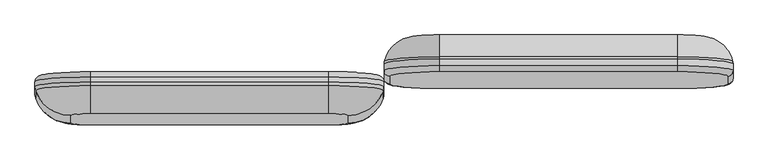
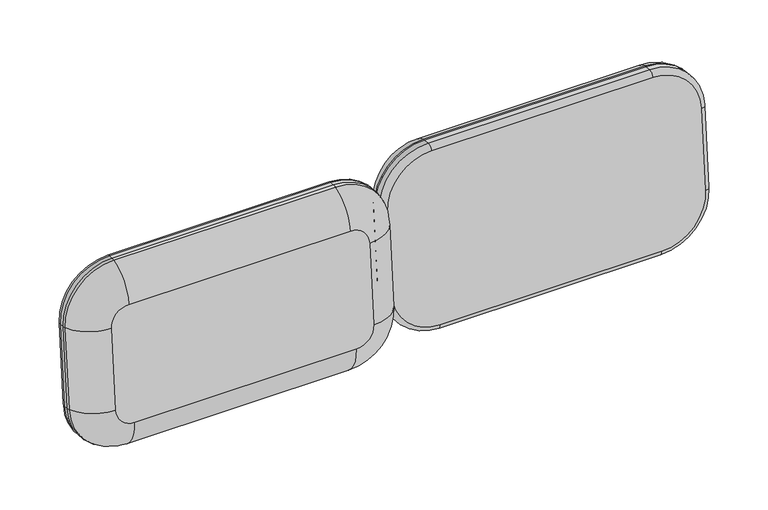
"""IFC4 building model written with IfcOpenShell, lengths in millimetres: furniture geometry."""

from ifc_helpers import new_model, si_unit, point, frame, origin, place, context, project, spatial, circle_curve, ellipse_curve, trimmed, source, transform, mapped, element, save
from ifc_brep_helpers import plane_surface, cylinder_surface, revolved_surface, advanced_brep


def furniture_3c81bbbd(model_context):
    return source(origin(), model_context, "Body", "AdvancedBrep", [
        advanced_brep(
        [(1523.7309449, 439.994675, 555.7190034), (1396.7309449, 451.0634543, 682.2357301), (1396.7309449, 437.3049037, 670.6909353), (1511.0309449, 427.3430023, 556.8258813), (1523.7309449, 455.5265861, 554.3601372), (1396.7309449, 466.5953655, 680.8768639), (1511.0309449, 409.6329554, 354.3991187), (1523.7309449, 422.2846281, 353.2922407), (1523.7309449, 437.8165392, 351.9333746), (1396.7309449, 399.671054, 240.5340647), (1396.7309449, 411.2158488, 226.7755141), (1396.7309449, 426.7477599, 225.4166479), (850.9286011, 399.671054, 240.5340647), (850.9286011, 411.2158488, 226.7755141), (850.9286011, 426.7477599, 225.4166479), (736.6286011, 409.6329554, 354.3991187), (723.9286011, 422.2846281, 353.2922407), (723.9286011, 437.8165392, 351.9333746), (736.6286011, 427.3430023, 556.8258813), (723.9286011, 439.994675, 555.7190034), (723.9286011, 455.5265861, 554.3601372), (850.9286011, 437.3049037, 670.6909353), (850.9286011, 451.0634543, 682.2357301), (850.9286011, 466.5953655, 680.8768639), (793.7786011, 499.3807584, 346.5472033), (793.7786011, 517.0908053, 548.973966), (850.9286011, 522.071756, 605.906493), (1396.7309449, 522.071756, 605.906493), (1453.8809449, 517.0908053, 548.973966), (1453.8809449, 499.3807584, 346.5472033), (1396.7309449, 494.3998077, 289.6146763), (850.9286011, 494.3998077, 289.6146763), (1523.2321942, 460.5162968, 553.9235941), (1396.7309449, 471.5416071, 679.943468), (1523.2321942, 442.8062499, 351.4968315), (1396.7309449, 431.7809395, 225.4769576), (850.9286011, 431.7809395, 225.4769576), (724.4273518, 442.8062499, 351.4968315), (724.4273518, 460.5162968, 553.9235941), (850.9286011, 471.5416071, 679.943468)],
        [
            (0, 1, circle_curve(frame((1396.7309449, 439.994675, 555.7190034), z_axis=(0.0, -0.996194698091745, 0.08715574274766426), x_axis=(0.0, 0.08715574274766426, 0.996194698091745)), 127.0)),
            (1, 2, circle_curve(frame((1396.7309449, 449.9565764, 669.5840574), z_axis=(1.0, 0.0, 0.0), x_axis=(0.0, -0.08715574274766424, -0.996194698091745)), 12.7)),
            (2, 3, circle_curve(frame((1396.7309449, 427.3430023, 556.8258813), z_axis=(0.0, 0.996194698091745, -0.08715574274766426), x_axis=(0.0, 0.08715574274766426, 0.996194698091745)), 114.3)),
            (3, 0, circle_curve(frame((1511.0309449, 439.994675, 555.7190034), z_axis=(0.0, 0.08715574274766424, 0.996194698091745), x_axis=(-1.0, 0.0, 0.0)), 12.7)),
            (0, 4),
            (4, 5, circle_curve(frame((1396.7309449, 455.5265861, 554.3601372), z_axis=(0.0, -0.996194698091745, 0.08715574274766426), x_axis=(0.0, 0.08715574274766426, 0.996194698091745)), 127.0)),
            (5, 1),
            (3, 6),
            (6, 7, circle_curve(frame((1511.0309449, 422.2846281, 353.2922407), z_axis=(0.0, 0.08715574274766427, 0.9961946980917451), x_axis=(-1.0, 0.0, 0.0)), 12.7)),
            (7, 0),
            (7, 8),
            (8, 4),
            (6, 9, circle_curve(frame((1396.7309449, 409.6329554, 354.3991187), z_axis=(0.0, 0.996194698091745, -0.08715574274766426), x_axis=(1.0, 0.0, 0.0)), 114.3)),
            (9, 10, circle_curve(frame((1396.7309449, 412.3227267, 239.4271867), z_axis=(1.0, 0.0, 0.0), x_axis=(0.0, 0.08715574274766427, 0.996194698091745)), 12.7)),
            (10, 7, circle_curve(frame((1396.7309449, 422.2846281, 353.2922407), z_axis=(0.0, -0.996194698091745, 0.08715574274766426), x_axis=(1.0, 0.0, 0.0)), 127.0)),
            (10, 11),
            (11, 8, circle_curve(frame((1396.7309449, 437.8165392, 351.9333746), z_axis=(0.0, -0.996194698091745, 0.08715574274766426), x_axis=(1.0, 0.0, 0.0)), 127.0)),
            (9, 12),
            (12, 13, circle_curve(frame((850.9286011, 412.3227267, 239.4271867), z_axis=(1.0, 0.0, 0.0), x_axis=(0.0, 0.08715574274766426, 0.996194698091745)), 12.7)),
            (13, 10),
            (13, 14),
            (14, 11),
            (12, 15, circle_curve(frame((850.9286011, 409.6329554, 354.3991187), z_axis=(0.0, 0.996194698091745, -0.08715574274766426), x_axis=(0.0, -0.08715574274766426, -0.996194698091745)), 114.3)),
            (15, 16, circle_curve(frame((736.6286011, 422.2846281, 353.2922407), z_axis=(0.0, -0.08715574274766429, -0.996194698091745), x_axis=(1.0, 0.0, 0.0)), 12.7)),
            (16, 13, circle_curve(frame((850.9286011, 422.2846281, 353.2922407), z_axis=(0.0, -0.996194698091745, 0.08715574274766426), x_axis=(0.0, -0.08715574274766426, -0.996194698091745)), 127.0)),
            (16, 17),
            (17, 14, circle_curve(frame((850.9286011, 437.8165392, 351.9333746), z_axis=(0.0, -0.996194698091745, 0.08715574274766426), x_axis=(0.0, -0.08715574274766426, -0.996194698091745)), 127.0)),
            (15, 18),
            (18, 19, circle_curve(frame((736.6286011, 439.994675, 555.7190034), z_axis=(0.0, -0.08715574274766426, -0.9961946980917451), x_axis=(1.0, 0.0, 0.0)), 12.7)),
            (19, 16),
            (19, 20),
            (20, 17),
            (18, 21, circle_curve(frame((850.9286011, 427.3430023, 556.8258813), z_axis=(0.0, 0.996194698091745, -0.08715574274766426), x_axis=(-1.0, 0.0, 0.0)), 114.3)),
            (21, 22, circle_curve(frame((850.9286011, 449.9565764, 669.5840574), z_axis=(-1.0, 0.0, 0.0), x_axis=(0.0, -0.08715574274766424, -0.996194698091745)), 12.7)),
            (22, 19, circle_curve(frame((850.9286011, 439.994675, 555.7190034), z_axis=(0.0, -0.996194698091745, 0.08715574274766426), x_axis=(-1.0, 0.0, 0.0)), 127.0)),
            (22, 23),
            (23, 20, circle_curve(frame((850.9286011, 455.5265861, 554.3601372), z_axis=(0.0, -0.996194698091745, 0.08715574274766426), x_axis=(-1.0, 0.0, 0.0)), 127.0)),
            (1, 22),
            (21, 2),
            (5, 23),
            (24, 25),
            (25, 26, circle_curve(frame((850.9286011, 517.0908053, 548.973966), z_axis=(0.0, 0.996194698091745, -0.08715574274766426), x_axis=(-1.0, 0.0, 0.0)), 57.15)),
            (26, 27),
            (27, 28, circle_curve(frame((1396.7309449, 517.0908053, 548.973966), z_axis=(0.0, 0.996194698091745, -0.08715574274766426), x_axis=(0.0, 0.08715574274766426, 0.996194698091745)), 57.15)),
            (28, 29),
            (29, 30, circle_curve(frame((1396.7309449, 499.3807584, 346.5472033), z_axis=(0.0, 0.996194698091745, -0.08715574274766426), x_axis=(1.0, 0.0, 0.0)), 57.15)),
            (30, 31),
            (31, 24, circle_curve(frame((850.9286011, 499.3807584, 346.5472033), z_axis=(0.0, 0.996194698091745, -0.08715574274766426), x_axis=(0.0, -0.08715574274766426, -0.996194698091745)), 57.15)),
            (4, 32, circle_curve(frame((1498.3309449, 455.5265861, 554.3601372), z_axis=(0.0, 0.08715574274766424, 0.996194698091745), x_axis=(-1.0, 0.0, 0.0)), 25.4)),
            (32, 33, circle_curve(frame((1396.7309449, 460.5162968, 553.9235941), z_axis=(0.0, -0.996194698091745, 0.08715574274766426), x_axis=(0.0, 0.08715574274766426, 0.996194698091745)), 126.5012493)),
            (33, 5, circle_curve(frame((1396.7309449, 464.3816096, 655.5735186), z_axis=(1.0, 0.0, 0.0), x_axis=(0.0, -0.08715574274766424, -0.996194698091745)), 25.4)),
            (27, 33, circle_curve(frame((1396.7309449, 451.6006488, 612.071916), z_axis=(1.0, 0.0, 0.0), x_axis=(0.0, -0.08715574274766424, -0.996194698091745)), 70.7402954)),
            (32, 28, circle_curve(frame((1453.8809449, 446.6196981, 555.139389), z_axis=(0.0, 0.08715574274766424, 0.996194698091745), x_axis=(-1.0, 0.0, 0.0)), 70.7402954)),
            (8, 34, circle_curve(frame((1498.3309449, 437.8165392, 351.9333746), z_axis=(0.0, 0.08715574274766427, 0.9961946980917451), x_axis=(-1.0, 0.0, 0.0)), 25.4)),
            (34, 32),
            (34, 29, circle_curve(frame((1453.8809449, 428.9096512, 352.7126263), z_axis=(0.0, 0.08715574274766427, 0.9961946980917451), x_axis=(-1.0, 0.0, 0.0)), 70.7402954)),
            (11, 35, circle_curve(frame((1396.7309449, 428.9615157, 250.7199933), z_axis=(1.0, 0.0, 0.0), x_axis=(0.0, 0.08715574274766427, 0.996194698091745)), 25.4)),
            (35, 34, circle_curve(frame((1396.7309449, 442.8062499, 351.4968315), z_axis=(0.0, -0.996194698091745, 0.08715574274766426), x_axis=(1.0, 0.0, 0.0)), 126.5012493)),
            (35, 30, circle_curve(frame((1396.7309449, 423.9287005, 295.7800993), z_axis=(1.0, 0.0, 0.0), x_axis=(0.0, 0.08715574274766427, 0.996194698091745)), 70.7402954)),
            (14, 36, circle_curve(frame((850.9286011, 428.9615157, 250.7199933), z_axis=(1.0, 0.0, 0.0), x_axis=(0.0, 0.08715574274766426, 0.996194698091745)), 25.4)),
            (36, 35),
            (36, 31, circle_curve(frame((850.9286011, 423.9287005, 295.7800993), z_axis=(1.0, 0.0, 0.0), x_axis=(0.0, 0.08715574274766426, 0.996194698091745)), 70.7402954)),
            (17, 37, circle_curve(frame((749.3286011, 437.8165392, 351.9333746), z_axis=(0.0, -0.08715574274766429, -0.996194698091745), x_axis=(1.0, 0.0, 0.0)), 25.4)),
            (37, 36, circle_curve(frame((850.9286011, 442.8062499, 351.4968315), z_axis=(0.0, -0.996194698091745, 0.08715574274766426), x_axis=(0.0, -0.08715574274766426, -0.996194698091745)), 126.5012493)),
            (37, 24, circle_curve(frame((793.7786011, 428.9096512, 352.7126263), z_axis=(0.0, -0.08715574274766429, -0.996194698091745), x_axis=(1.0, 0.0, 0.0)), 70.7402954)),
            (20, 38, circle_curve(frame((749.3286011, 455.5265861, 554.3601372), z_axis=(0.0, -0.08715574274766426, -0.9961946980917451), x_axis=(1.0, 0.0, 0.0)), 25.4)),
            (38, 37),
            (38, 25, circle_curve(frame((793.7786011, 446.6196981, 555.139389), z_axis=(0.0, -0.08715574274766426, -0.9961946980917451), x_axis=(1.0, 0.0, 0.0)), 70.7402954)),
            (23, 39, circle_curve(frame((850.9286011, 464.3816096, 655.5735186), z_axis=(-1.0, 0.0, 0.0), x_axis=(0.0, -0.08715574274766426, -0.996194698091745)), 25.4)),
            (39, 38, circle_curve(frame((850.9286011, 460.5162968, 553.9235941), z_axis=(0.0, -0.996194698091745, 0.08715574274766426), x_axis=(-1.0, 0.0, 0.0)), 126.5012493)),
            (39, 26, circle_curve(frame((850.9286011, 451.6006488, 612.071916), z_axis=(-1.0, 0.0, 0.0), x_axis=(0.0, -0.08715574274766426, -0.996194698091745)), 70.7402954)),
            (33, 39),
        ],
        [
            revolved_surface(trimmed(ellipse_curve(frame((1396.7309449, 449.9565764, 669.5840574), z_axis=(-1.0, 0.0, 0.0), x_axis=(0.0, -0.08715574274766424, -0.996194698091745)), 12.7, 12.7), [point((1396.7309449, 437.3049037, 670.6909353))], [point((1396.7309449, 451.0634543, 682.2357301))], True, "CARTESIAN"), (1396.7309449, 427.3430023, 556.8258813), (0.0, 0.996194698091745, -0.08715574274766426)),
            cylinder_surface(frame((1396.7309449, 427.3430023, 556.8258813), z_axis=(0.0, 0.996194698091745, -0.08715574274766426), x_axis=(0.0, 0.08715574274766426, 0.996194698091745)), 127.0),
            cylinder_surface(frame((1511.0309449, 439.994675, 555.7190034), z_axis=(0.0, 0.08715574274766427, 0.9961946980917451), x_axis=(-1.0, 0.0, 0.0)), 12.7),
            plane_surface(frame((1523.7309449, 439.994675, 555.7190034), z_axis=(1.0, 0.0, 0.0), x_axis=(0.0, -0.0871557427476642, -0.996194698091745))),
            revolved_surface(trimmed(ellipse_curve(frame((1511.0309449, 422.2846281, 353.2922407), z_axis=(0.0, 0.08715574274766423, 0.996194698091745), x_axis=(-1.0, 0.0, 0.0)), 12.7, 12.7), [point((1511.0309449, 409.6329554, 354.3991187))], [point((1523.7309449, 422.2846281, 353.2922407))], True, "CARTESIAN"), (1396.7309449, 409.6329554, 354.3991187), (0.0, 0.996194698091745, -0.08715574274766426)),
            cylinder_surface(frame((1396.7309449, 409.6329554, 354.3991187), z_axis=(0.0, 0.996194698091745, -0.08715574274766426), x_axis=(1.0, 0.0, 0.0)), 127.0),
            cylinder_surface(frame((1396.7309449, 412.3227267, 239.4271867), z_axis=(1.0, 0.0, 0.0), x_axis=(0.0, 0.08715574274766426, 0.996194698091745)), 12.7),
            plane_surface(frame((1396.7309449, 411.2158488, 226.7755141), z_axis=(0.0, -0.08715574274766154, -0.9961946980917452), x_axis=(-1.0, 0.0, 0.0))),
            revolved_surface(trimmed(ellipse_curve(frame((850.9286011, 412.3227267, 239.4271867), z_axis=(1.0, 0.0, 0.0), x_axis=(0.0, 0.08715574274766426, 0.996194698091745)), 12.7, 12.7), [point((850.9286011, 399.671054, 240.5340647))], [point((850.9286011, 411.2158488, 226.7755141))], True, "CARTESIAN"), (850.9286011, 409.6329554, 354.3991187), (0.0, 0.996194698091745, -0.08715574274766426)),
            cylinder_surface(frame((850.9286011, 409.6329554, 354.3991187), z_axis=(0.0, 0.996194698091745, -0.08715574274766426), x_axis=(0.0, -0.08715574274766426, -0.996194698091745)), 127.0),
            cylinder_surface(frame((736.6286011, 422.2846281, 353.2922407), z_axis=(0.0, -0.08715574274766426, -0.9961946980917451), x_axis=(1.0, 0.0, 0.0)), 12.7),
            plane_surface(frame((723.9286011, 422.2846281, 353.2922407), z_axis=(-1.0, 0.0, 0.0), x_axis=(0.0, 0.08715574274766429, 0.996194698091745))),
            revolved_surface(trimmed(ellipse_curve(frame((736.6286011, 439.994675, 555.7190034), z_axis=(0.0, -0.08715574274766424, -0.996194698091745), x_axis=(1.0, 0.0, 0.0)), 12.7, 12.7), [point((736.6286011, 427.3430023, 556.8258813))], [point((723.9286011, 439.994675, 555.7190034))], True, "CARTESIAN"), (850.9286011, 427.3430023, 556.8258813), (0.0, 0.996194698091745, -0.08715574274766426)),
            cylinder_surface(frame((850.9286011, 427.3430023, 556.8258813), z_axis=(0.0, 0.996194698091745, -0.08715574274766426), x_axis=(-1.0, 0.0, 0.0)), 127.0),
            cylinder_surface(frame((850.9286011, 449.9565764, 669.5840574), z_axis=(-1.0, 0.0, 0.0), x_axis=(0.0, -0.08715574274766426, -0.996194698091745)), 12.7),
            plane_surface(frame((850.9286011, 451.0634543, 682.2357301), z_axis=(0.0, 0.08715574274766698, 0.9961946980917449), x_axis=(1.0, 0.0, 0.0))),
            plane_surface(frame((850.9286011, 522.071756, 605.906493), z_axis=(0.0, 0.9961946980917451, -0.08715574274766395), x_axis=(1.0, 0.0, 0.0))),
            plane_surface(frame((850.9286011, 429.5567582, 582.1292267), z_axis=(0.0, -0.996194698091745, 0.08715574274766422), x_axis=(1.0, 0.0, 0.0))),
            revolved_surface(trimmed(ellipse_curve(frame((1396.7309449, 464.3816096, 655.5735186), z_axis=(-1.0, 0.0, 0.0), x_axis=(0.0, -0.08715574274766424, -0.996194698091745)), 25.4, 25.4), [point((1396.7309449, 466.5953655, 680.8768639))], [point((1396.7309449, 471.5416071, 679.943468))], True, "CARTESIAN"), (1396.7309449, 427.3430023, 556.8258813), (0.0, 0.996194698091745, -0.08715574274766426)),
            revolved_surface(trimmed(ellipse_curve(frame((1396.7309449, 451.6006488, 612.071916), z_axis=(-1.0, 0.0, 0.0), x_axis=(0.0, -0.08715574274766424, -0.996194698091745)), 70.7402954, 70.7402954), [point((1396.7309449, 471.5416071, 679.943468))], [point((1396.7309449, 522.071756, 605.906493))], True, "CARTESIAN"), (1396.7309449, 427.3430023, 556.8258813), (0.0, 0.996194698091745, -0.08715574274766426)),
            cylinder_surface(frame((1498.3309449, 455.5265861, 554.3601372), z_axis=(0.0, 0.08715574274766427, 0.9961946980917451), x_axis=(-1.0, 0.0, 0.0)), 25.4),
            cylinder_surface(frame((1453.8809449, 446.6196981, 555.139389), z_axis=(0.0, 0.08715574274766427, 0.9961946980917451), x_axis=(-1.0, 0.0, 0.0)), 70.7402954),
            revolved_surface(trimmed(ellipse_curve(frame((1498.3309449, 437.8165392, 351.9333746), z_axis=(0.0, 0.08715574274766423, 0.996194698091745), x_axis=(-1.0, 0.0, 0.0)), 25.4, 25.4), [point((1523.7309449, 437.8165392, 351.9333746))], [point((1523.2321942, 442.8062499, 351.4968315))], True, "CARTESIAN"), (1396.7309449, 409.6329554, 354.3991187), (0.0, 0.996194698091745, -0.08715574274766426)),
            revolved_surface(trimmed(ellipse_curve(frame((1453.8809449, 428.9096512, 352.7126263), z_axis=(0.0, 0.08715574274766423, 0.996194698091745), x_axis=(-1.0, 0.0, 0.0)), 70.7402954, 70.7402954), [point((1523.2321942, 442.8062499, 351.4968315))], [point((1453.8809449, 499.3807584, 346.5472033))], True, "CARTESIAN"), (1396.7309449, 409.6329554, 354.3991187), (0.0, 0.996194698091745, -0.08715574274766426)),
            cylinder_surface(frame((1396.7309449, 428.9615157, 250.7199933), z_axis=(1.0, 0.0, 0.0), x_axis=(0.0, 0.08715574274766426, 0.996194698091745)), 25.4),
            cylinder_surface(frame((1396.7309449, 423.9287005, 295.7800993), z_axis=(1.0, 0.0, 0.0), x_axis=(0.0, 0.08715574274766426, 0.996194698091745)), 70.7402954),
            revolved_surface(trimmed(ellipse_curve(frame((850.9286011, 428.9615157, 250.7199933), z_axis=(1.0, 0.0, 0.0), x_axis=(0.0, 0.08715574274766426, 0.996194698091745)), 25.4, 25.4), [point((850.9286011, 426.7477599, 225.4166479))], [point((850.9286011, 431.7809395, 225.4769576))], True, "CARTESIAN"), (850.9286011, 409.6329554, 354.3991187), (0.0, 0.996194698091745, -0.08715574274766426)),
            revolved_surface(trimmed(ellipse_curve(frame((850.9286011, 423.9287005, 295.7800993), z_axis=(1.0, 0.0, 0.0), x_axis=(0.0, 0.08715574274766426, 0.996194698091745)), 70.7402954, 70.7402954), [point((850.9286011, 431.7809395, 225.4769576))], [point((850.9286011, 494.3998077, 289.6146763))], True, "CARTESIAN"), (850.9286011, 409.6329554, 354.3991187), (0.0, 0.996194698091745, -0.08715574274766426)),
            cylinder_surface(frame((749.3286011, 437.8165392, 351.9333746), z_axis=(0.0, -0.08715574274766426, -0.9961946980917451), x_axis=(1.0, 0.0, 0.0)), 25.4),
            cylinder_surface(frame((793.7786011, 428.9096512, 352.7126263), z_axis=(0.0, -0.08715574274766426, -0.9961946980917451), x_axis=(1.0, 0.0, 0.0)), 70.7402954),
            revolved_surface(trimmed(ellipse_curve(frame((749.3286011, 455.5265861, 554.3601372), z_axis=(0.0, -0.08715574274766424, -0.996194698091745), x_axis=(1.0, 0.0, 0.0)), 25.4, 25.4), [point((723.9286011, 455.5265861, 554.3601372))], [point((724.4273518, 460.5162968, 553.9235941))], True, "CARTESIAN"), (850.9286011, 427.3430023, 556.8258813), (0.0, 0.996194698091745, -0.08715574274766426)),
            revolved_surface(trimmed(ellipse_curve(frame((793.7786011, 446.6196981, 555.139389), z_axis=(0.0, -0.08715574274766424, -0.996194698091745), x_axis=(1.0, 0.0, 0.0)), 70.7402954, 70.7402954), [point((724.4273518, 460.5162968, 553.9235941))], [point((793.7786011, 517.0908053, 548.973966))], True, "CARTESIAN"), (850.9286011, 427.3430023, 556.8258813), (0.0, 0.996194698091745, -0.08715574274766426)),
            cylinder_surface(frame((850.9286011, 464.3816096, 655.5735186), z_axis=(-1.0, 0.0, 0.0), x_axis=(0.0, -0.08715574274766427, -0.996194698091745)), 25.4),
            cylinder_surface(frame((850.9286011, 451.6006488, 612.071916), z_axis=(-1.0, 0.0, 0.0), x_axis=(0.0, -0.08715574274766427, -0.996194698091745)), 70.7402954),
        ],
        [
            (0, [[1, 2, 3, 4]]),
            (1, [[-1, 5, 6, 7]]),
            (2, [[-4, 8, 9, 10]]),
            (3, [[-5, -10, 11, 12]]),
            (4, [[-9, 13, 14, 15]]),
            (5, [[-11, -15, 16, 17]]),
            (6, [[-14, 18, 19, 20]]),
            (7, [[-16, -20, 21, 22]]),
            (8, [[-19, 23, 24, 25]]),
            (9, [[-21, -25, 26, 27]]),
            (10, [[-24, 28, 29, 30]]),
            (11, [[-26, -30, 31, 32]]),
            (12, [[-29, 33, 34, 35]]),
            (13, [[-31, -35, 36, 37]]),
            (14, [[-2, 38, -34, 39]]),
            (15, [[-7, 40, -36, -38]]),
            (16, [[41, 42, 43, 44, 45, 46, 47, 48]]),
            (17, [[-3, -39, -33, -28, -23, -18, -13, -8]]),
            (18, [[-6, 49, 50, 51]]),
            (19, [[-44, 52, -50, 53]]),
            (20, [[-12, 54, 55, -49]]),
            (21, [[-45, -53, -55, 56]]),
            (22, [[-17, 57, 58, -54]]),
            (23, [[-46, -56, -58, 59]]),
            (24, [[-22, 60, 61, -57]]),
            (25, [[-47, -59, -61, 62]]),
            (26, [[-27, 63, 64, -60]]),
            (27, [[-48, -62, -64, 65]]),
            (28, [[-32, 66, 67, -63]]),
            (29, [[-41, -65, -67, 68]]),
            (30, [[-37, 69, 70, -66]]),
            (31, [[-42, -68, -70, 71]]),
            (32, [[-40, -51, 72, -69]]),
            (33, [[-43, -71, -72, -52]]),
        ],
    ),
        advanced_brep(
        [(710.9309449, 427.3430023, 556.8258813), (596.6309449, 437.3049037, 670.6909353), (596.6309449, 425.760109, 684.4494859), (723.6309449, 414.6913297, 557.9327593), (596.6309449, 414.1908307, 685.4616666), (723.6309449, 403.1220514, 558.94494), (723.6309449, 396.9812828, 355.5059966), (710.9309449, 409.6329554, 354.3991187), (723.6309449, 385.4120045, 356.5181773), (596.6309449, 385.9125034, 228.9892699), (596.6309449, 399.671054, 240.5340647), (596.6309449, 374.3432252, 230.0014506), (50.8286011, 385.9125034, 228.9892699), (50.8286011, 399.671054, 240.5340647), (50.8286011, 374.3432252, 230.0014506), (-76.1713989, 396.9812828, 355.5059966), (-63.4713989, 409.6329554, 354.3991187), (-76.1713989, 385.4120045, 356.5181773), (-76.1713989, 414.6913297, 557.9327593), (-63.4713989, 427.3430023, 556.8258813), (-76.1713989, 403.1220514, 558.94494), (50.8286011, 425.760109, 684.4494859), (50.8286011, 437.3049037, 670.6909353), (50.8286011, 414.1908307, 685.4616666), (596.6309449, 341.4692721, 608.958651), (50.8286011, 341.4692721, 608.958651), (6.3786011, 337.5951994, 564.6777967), (6.3786011, 319.8851524, 362.251034), (50.8286011, 316.0110797, 317.9701797), (596.6309449, 316.0110797, 317.9701797), (641.0809449, 319.8851524, 362.251034), (641.0809449, 337.5951994, 564.6777967), (722.1715693, 394.6686776, 559.6845143), (596.6309449, 405.6102639, 684.7474188), (722.1715693, 376.9586306, 357.2577517), (596.6309449, 366.0170443, 232.1948472), (50.8286011, 366.0170443, 232.1948472), (-74.7120233, 376.9586306, 357.2577517), (-74.7120233, 394.6686776, 559.6845143), (50.8286011, 405.6102639, 684.7474188)],
        [
            (0, 1, circle_curve(frame((596.6309449, 427.3430023, 556.8258813), z_axis=(0.0, -0.996194698091745, 0.08715574274766426), x_axis=(0.0, 0.08715574274766426, 0.996194698091745)), 114.3)),
            (1, 2, circle_curve(frame((596.6309449, 424.6532311, 671.7978133), z_axis=(1.0, 0.0, 0.0), x_axis=(0.0, 0.08715574274766424, 0.996194698091745)), 12.7)),
            (2, 3, circle_curve(frame((596.6309449, 414.6913297, 557.9327593), z_axis=(0.0, 0.996194698091745, -0.08715574274766426), x_axis=(0.0, 0.08715574274766426, 0.996194698091745)), 127.0)),
            (3, 0, circle_curve(frame((710.9309449, 414.6913297, 557.9327593), z_axis=(0.0, 0.0871557427476706, 0.9961946980917444), x_axis=(1.0, 0.0, 0.0)), 12.7)),
            (2, 4),
            (4, 5, circle_curve(frame((596.6309449, 403.1220514, 558.94494), z_axis=(0.0, 0.996194698091745, -0.08715574274766426), x_axis=(0.0, 0.08715574274766426, 0.996194698091745)), 127.0)),
            (5, 3),
            (3, 6),
            (6, 7, circle_curve(frame((710.9309449, 396.9812828, 355.5059966), z_axis=(0.0, 0.08715574274767063, 0.9961946980917445), x_axis=(1.0, 0.0, 0.0)), 12.7)),
            (7, 0),
            (5, 8),
            (8, 6),
            (6, 9, circle_curve(frame((596.6309449, 396.9812828, 355.5059966), z_axis=(0.0, 0.996194698091745, -0.08715574274766426), x_axis=(1.0, 0.0, 0.0)), 127.0)),
            (9, 10, circle_curve(frame((596.6309449, 387.0193814, 241.6409426), z_axis=(1.0, 0.0, 0.0), x_axis=(0.0, -0.08715574274766427, -0.996194698091745)), 12.7)),
            (10, 7, circle_curve(frame((596.6309449, 409.6329554, 354.3991187), z_axis=(0.0, -0.996194698091745, 0.08715574274766426), x_axis=(1.0, 0.0, 0.0)), 114.3)),
            (8, 11, circle_curve(frame((596.6309449, 385.4120045, 356.5181773), z_axis=(0.0, 0.996194698091745, -0.08715574274766426), x_axis=(1.0, 0.0, 0.0)), 127.0)),
            (11, 9),
            (9, 12),
            (12, 13, circle_curve(frame((50.8286011, 387.0193814, 241.6409426), z_axis=(1.0, 0.0, 0.0), x_axis=(0.0, -0.08715574274766426, -0.996194698091745)), 12.7)),
            (13, 10),
            (11, 14),
            (14, 12),
            (12, 15, circle_curve(frame((50.8286011, 396.9812828, 355.5059966), z_axis=(0.0, 0.996194698091745, -0.08715574274766426), x_axis=(0.0, -0.08715574274766426, -0.996194698091745)), 127.0)),
            (15, 16, circle_curve(frame((-63.4713989, 396.9812828, 355.5059966), z_axis=(0.0, -0.08715574274765793, -0.9961946980917455), x_axis=(-1.0, 0.0, 0.0)), 12.7)),
            (16, 13, circle_curve(frame((50.8286011, 409.6329554, 354.3991187), z_axis=(0.0, -0.996194698091745, 0.08715574274766426), x_axis=(0.0, -0.08715574274766426, -0.996194698091745)), 114.3)),
            (14, 17, circle_curve(frame((50.8286011, 385.4120045, 356.5181773), z_axis=(0.0, 0.996194698091745, -0.08715574274766426), x_axis=(0.0, -0.08715574274766426, -0.996194698091745)), 127.0)),
            (17, 15),
            (15, 18),
            (18, 19, circle_curve(frame((-63.4713989, 414.6913297, 557.9327593), z_axis=(0.0, -0.0871557427476579, -0.9961946980917457), x_axis=(-1.0, 0.0, 0.0)), 12.7)),
            (19, 16),
            (17, 20),
            (20, 18),
            (18, 21, circle_curve(frame((50.8286011, 414.6913297, 557.9327593), z_axis=(0.0, 0.996194698091745, -0.08715574274766426), x_axis=(-1.0, 0.0, 0.0)), 127.0)),
            (21, 22, circle_curve(frame((50.8286011, 424.6532311, 671.7978133), z_axis=(-1.0, 0.0, 0.0), x_axis=(0.0, 0.08715574274766426, 0.996194698091745)), 12.7)),
            (22, 19, circle_curve(frame((50.8286011, 427.3430023, 556.8258813), z_axis=(0.0, -0.996194698091745, 0.08715574274766426), x_axis=(-1.0, 0.0, 0.0)), 114.3)),
            (20, 23, circle_curve(frame((50.8286011, 403.1220514, 558.94494), z_axis=(0.0, 0.996194698091745, -0.08715574274766426), x_axis=(-1.0, 0.0, 0.0)), 127.0)),
            (23, 21),
            (1, 22),
            (21, 2),
            (23, 4),
            (24, 25),
            (25, 26, circle_curve(frame((50.8286011, 337.5951994, 564.6777967), z_axis=(0.0, -0.996194698091745, 0.08715574274766426), x_axis=(-1.0, 0.0, 0.0)), 44.45)),
            (26, 27),
            (27, 28, circle_curve(frame((50.8286011, 319.8851524, 362.251034), z_axis=(0.0, -0.996194698091745, 0.08715574274766426), x_axis=(0.0, -0.08715574274766426, -0.996194698091745)), 44.45)),
            (28, 29),
            (29, 30, circle_curve(frame((596.6309449, 319.8851524, 362.251034), z_axis=(0.0, -0.996194698091745, 0.08715574274766426), x_axis=(1.0, 0.0, 0.0)), 44.45)),
            (30, 31),
            (31, 24, circle_curve(frame((596.6309449, 337.5951994, 564.6777967), z_axis=(0.0, -0.996194698091745, 0.08715574274766426), x_axis=(0.0, 0.08715574274766426, 0.996194698091745)), 44.45)),
            (31, 32, circle_curve(frame((641.0809449, 423.3015717, 557.1794607), z_axis=(0.0, 0.0871557427476706, 0.9961946980917444), x_axis=(1.0, 0.0, 0.0)), 86.0337567)),
            (32, 33, circle_curve(frame((596.6309449, 394.6686776, 559.6845143), z_axis=(0.0, -0.996194698091745, 0.08715574274766426), x_axis=(0.0, 0.08715574274766426, 0.996194698091745)), 125.5406245)),
            (33, 24, circle_curve(frame((596.6309449, 427.1756444, 601.460315), z_axis=(1.0, 0.0, 0.0), x_axis=(0.0, 0.08715574274766424, 0.996194698091745)), 86.0337567)),
            (4, 33, circle_curve(frame((596.6309449, 411.9770749, 660.1583213), z_axis=(1.0, 0.0, 0.0), x_axis=(0.0, 0.08715574274766424, 0.996194698091745)), 25.4)),
            (32, 5, circle_curve(frame((698.2309449, 403.1220514, 558.94494), z_axis=(0.0, 0.0871557427476706, 0.9961946980917444), x_axis=(1.0, 0.0, 0.0)), 25.4)),
            (30, 34, circle_curve(frame((641.0809449, 405.5915248, 354.752698), z_axis=(0.0, 0.08715574274767063, 0.9961946980917445), x_axis=(1.0, 0.0, 0.0)), 86.0337567)),
            (34, 32),
            (34, 8, circle_curve(frame((698.2309449, 385.4120045, 356.5181773), z_axis=(0.0, 0.08715574274767063, 0.9961946980917445), x_axis=(1.0, 0.0, 0.0)), 25.4)),
            (29, 35, circle_curve(frame((596.6309449, 401.717452, 310.4718437), z_axis=(1.0, 0.0, 0.0), x_axis=(0.0, -0.08715574274766427, -0.996194698091745)), 86.0337567)),
            (35, 34, circle_curve(frame((596.6309449, 376.9586306, 357.2577517), z_axis=(0.0, -0.996194698091745, 0.08715574274766426), x_axis=(1.0, 0.0, 0.0)), 125.5406245)),
            (35, 11, circle_curve(frame((596.6309449, 376.556981, 255.304796), z_axis=(1.0, 0.0, 0.0), x_axis=(0.0, -0.08715574274766427, -0.996194698091745)), 25.4)),
            (28, 36, circle_curve(frame((50.8286011, 401.717452, 310.4718437), z_axis=(1.0, 0.0, 0.0), x_axis=(0.0, -0.08715574274766426, -0.996194698091745)), 86.0337567)),
            (36, 35),
            (36, 14, circle_curve(frame((50.8286011, 376.556981, 255.304796), z_axis=(1.0, 0.0, 0.0), x_axis=(0.0, -0.08715574274766426, -0.996194698091745)), 25.4)),
            (27, 37, circle_curve(frame((6.3786011, 405.5915248, 354.752698), z_axis=(0.0, -0.08715574274765793, -0.9961946980917455), x_axis=(-1.0, 0.0, 0.0)), 86.0337567)),
            (37, 36, circle_curve(frame((50.8286011, 376.9586306, 357.2577517), z_axis=(0.0, -0.996194698091745, 0.08715574274766426), x_axis=(0.0, -0.08715574274766426, -0.996194698091745)), 125.5406245)),
            (37, 17, circle_curve(frame((-50.7713989, 385.4120045, 356.5181773), z_axis=(0.0, -0.08715574274765793, -0.9961946980917455), x_axis=(-1.0, 0.0, 0.0)), 25.4)),
            (26, 38, circle_curve(frame((6.3786011, 423.3015717, 557.1794607), z_axis=(0.0, -0.0871557427476579, -0.9961946980917457), x_axis=(-1.0, 0.0, 0.0)), 86.0337567)),
            (38, 37),
            (38, 20, circle_curve(frame((-50.7713989, 403.1220514, 558.94494), z_axis=(0.0, -0.0871557427476579, -0.9961946980917457), x_axis=(-1.0, 0.0, 0.0)), 25.4)),
            (25, 39, circle_curve(frame((50.8286011, 427.1756444, 601.460315), z_axis=(-1.0, 0.0, 0.0), x_axis=(0.0, 0.08715574274766426, 0.996194698091745)), 86.0337567)),
            (39, 38, circle_curve(frame((50.8286011, 394.6686776, 559.6845143), z_axis=(0.0, -0.996194698091745, 0.08715574274766426), x_axis=(-1.0, 0.0, 0.0)), 125.5406245)),
            (39, 23, circle_curve(frame((50.8286011, 411.9770749, 660.1583213), z_axis=(-1.0, 0.0, 0.0), x_axis=(0.0, 0.08715574274766426, 0.996194698091745)), 25.4)),
            (33, 39),
        ],
        [
            revolved_surface(trimmed(ellipse_curve(frame((596.6309449, 424.6532311, 671.7978133), z_axis=(-1.0, 0.0, 0.0), x_axis=(0.0, 0.08715574274766424, 0.996194698091745)), 12.7, 12.7), [point((596.6309449, 425.760109, 684.4494859))], [point((596.6309449, 437.3049037, 670.6909353))], True, "CARTESIAN"), (596.6309449, 427.3430023, 556.8258813), (0.0, 0.996194698091745, -0.08715574274766426)),
            cylinder_surface(frame((596.6309449, 427.3430023, 556.8258813), z_axis=(0.0, 0.996194698091745, -0.08715574274766426), x_axis=(0.0, 0.08715574274766426, 0.996194698091745)), 127.0),
            cylinder_surface(frame((710.9309449, 414.6913297, 557.9327593), z_axis=(0.0, 0.08715574274767063, 0.9961946980917445), x_axis=(1.0, 0.0, 0.0)), 12.7),
            plane_surface(frame((723.6309449, 403.1220514, 558.94494), z_axis=(1.0, 0.0, 0.0), x_axis=(0.0, -0.0871557427476642, -0.996194698091745))),
            revolved_surface(trimmed(ellipse_curve(frame((710.9309449, 396.9812828, 355.5059966), z_axis=(0.0, 0.08715574274767038, 0.9961946980917444), x_axis=(1.0, 0.0, 0.0)), 12.7, 12.7), [point((723.6309449, 396.9812828, 355.5059966))], [point((710.9309449, 409.6329554, 354.3991187))], True, "CARTESIAN"), (596.6309449, 409.6329554, 354.3991187), (0.0, 0.996194698091745, -0.08715574274766426)),
            cylinder_surface(frame((596.6309449, 409.6329554, 354.3991187), z_axis=(0.0, 0.996194698091745, -0.08715574274766426), x_axis=(1.0, 0.0, 0.0)), 127.0),
            cylinder_surface(frame((596.6309449, 387.0193814, 241.6409426), z_axis=(1.0, 0.0, 0.0), x_axis=(0.0, -0.08715574274766426, -0.996194698091745)), 12.7),
            plane_surface(frame((596.6309449, 374.3432252, 230.0014506), z_axis=(0.0, -0.08715574274766695, -0.9961946980917448), x_axis=(-1.0, 0.0, 0.0))),
            revolved_surface(trimmed(ellipse_curve(frame((50.8286011, 387.0193814, 241.6409426), z_axis=(1.0, 0.0, 0.0), x_axis=(0.0, -0.08715574274766426, -0.996194698091745)), 12.7, 12.7), [point((50.8286011, 385.9125034, 228.9892699))], [point((50.8286011, 399.671054, 240.5340647))], True, "CARTESIAN"), (50.8286011, 409.6329554, 354.3991187), (0.0, 0.996194698091745, -0.08715574274766426)),
            cylinder_surface(frame((50.8286011, 409.6329554, 354.3991187), z_axis=(0.0, 0.996194698091745, -0.08715574274766426), x_axis=(0.0, -0.08715574274766426, -0.996194698091745)), 127.0),
            cylinder_surface(frame((-63.4713989, 396.9812828, 355.5059966), z_axis=(0.0, -0.0871557427476579, -0.9961946980917457), x_axis=(-1.0, 0.0, 0.0)), 12.7),
            plane_surface(frame((-76.1713989, 385.4120045, 356.5181773), z_axis=(-1.0, 0.0, 0.0), x_axis=(0.0, 0.08715574274766431, 0.996194698091745))),
            revolved_surface(trimmed(ellipse_curve(frame((-63.4713989, 414.6913297, 557.9327593), z_axis=(0.0, -0.08715574274765812, -0.9961946980917455), x_axis=(-1.0, 0.0, 0.0)), 12.7, 12.7), [point((-76.1713989, 414.6913297, 557.9327593))], [point((-63.4713989, 427.3430023, 556.8258813))], True, "CARTESIAN"), (50.8286011, 427.3430023, 556.8258813), (0.0, 0.996194698091745, -0.08715574274766426)),
            cylinder_surface(frame((50.8286011, 427.3430023, 556.8258813), z_axis=(0.0, 0.996194698091745, -0.08715574274766426), x_axis=(-1.0, 0.0, 0.0)), 127.0),
            cylinder_surface(frame((50.8286011, 424.6532311, 671.7978133), z_axis=(-1.0, 0.0, 0.0), x_axis=(0.0, 0.08715574274766427, 0.996194698091745)), 12.7),
            plane_surface(frame((50.8286011, 414.1908307, 685.4616666), z_axis=(0.0, 0.08715574274766157, 0.9961946980917452), x_axis=(1.0, 0.0, 0.0))),
            plane_surface(frame((50.8286011, 339.8089552, 589.981142), z_axis=(0.0, -0.996194698091745, 0.08715574274766458), x_axis=(1.0, 0.0, 0.0))),
            plane_surface(frame((50.8286011, 437.3049037, 670.6909353), z_axis=(0.0, 0.996194698091745, -0.08715574274766433), x_axis=(1.0, 0.0, 0.0))),
            revolved_surface(trimmed(ellipse_curve(frame((596.6309449, 427.1756444, 601.460315), z_axis=(-1.0, 0.0, 0.0), x_axis=(0.0, 0.08715574274766424, 0.996194698091745)), 86.0337567, 86.0337567), [point((596.6309449, 341.4692721, 608.958651))], [point((596.6309449, 405.6102639, 684.7474188))], True, "CARTESIAN"), (596.6309449, 427.3430023, 556.8258813), (0.0, 0.996194698091745, -0.08715574274766426)),
            revolved_surface(trimmed(ellipse_curve(frame((596.6309449, 411.9770749, 660.1583213), z_axis=(-1.0, 0.0, 0.0), x_axis=(0.0, 0.08715574274766424, 0.996194698091745)), 25.4, 25.4), [point((596.6309449, 405.6102639, 684.7474188))], [point((596.6309449, 414.1908307, 685.4616666))], True, "CARTESIAN"), (596.6309449, 427.3430023, 556.8258813), (0.0, 0.996194698091745, -0.08715574274766426)),
            cylinder_surface(frame((641.0809449, 423.3015717, 557.1794607), z_axis=(0.0, 0.08715574274767063, 0.9961946980917445), x_axis=(1.0, 0.0, 0.0)), 86.0337567),
            cylinder_surface(frame((698.2309449, 403.1220514, 558.94494), z_axis=(0.0, 0.08715574274767063, 0.9961946980917445), x_axis=(1.0, 0.0, 0.0)), 25.4),
            revolved_surface(trimmed(ellipse_curve(frame((641.0809449, 405.5915248, 354.752698), z_axis=(0.0, 0.08715574274767038, 0.9961946980917444), x_axis=(1.0, 0.0, 0.0)), 86.0337567, 86.0337567), [point((641.0809449, 319.8851524, 362.251034))], [point((722.1715693, 376.9586306, 357.2577517))], True, "CARTESIAN"), (596.6309449, 409.6329554, 354.3991187), (0.0, 0.996194698091745, -0.08715574274766426)),
            revolved_surface(trimmed(ellipse_curve(frame((698.2309449, 385.4120045, 356.5181773), z_axis=(0.0, 0.08715574274767038, 0.9961946980917444), x_axis=(1.0, 0.0, 0.0)), 25.4, 25.4), [point((722.1715693, 376.9586306, 357.2577517))], [point((723.6309449, 385.4120045, 356.5181773))], True, "CARTESIAN"), (596.6309449, 409.6329554, 354.3991187), (0.0, 0.996194698091745, -0.08715574274766426)),
            cylinder_surface(frame((596.6309449, 401.717452, 310.4718437), z_axis=(1.0, 0.0, 0.0), x_axis=(0.0, -0.08715574274766426, -0.996194698091745)), 86.0337567),
            cylinder_surface(frame((596.6309449, 376.556981, 255.304796), z_axis=(1.0, 0.0, 0.0), x_axis=(0.0, -0.08715574274766426, -0.996194698091745)), 25.4),
            revolved_surface(trimmed(ellipse_curve(frame((50.8286011, 401.717452, 310.4718437), z_axis=(1.0, 0.0, 0.0), x_axis=(0.0, -0.08715574274766426, -0.996194698091745)), 86.0337567, 86.0337567), [point((50.8286011, 316.0110797, 317.9701797))], [point((50.8286011, 366.0170443, 232.1948472))], True, "CARTESIAN"), (50.8286011, 409.6329554, 354.3991187), (0.0, 0.996194698091745, -0.08715574274766426)),
            revolved_surface(trimmed(ellipse_curve(frame((50.8286011, 376.556981, 255.304796), z_axis=(1.0, 0.0, 0.0), x_axis=(0.0, -0.08715574274766426, -0.996194698091745)), 25.4, 25.4), [point((50.8286011, 366.0170443, 232.1948472))], [point((50.8286011, 374.3432252, 230.0014506))], True, "CARTESIAN"), (50.8286011, 409.6329554, 354.3991187), (0.0, 0.996194698091745, -0.08715574274766426)),
            cylinder_surface(frame((6.3786011, 405.5915248, 354.752698), z_axis=(0.0, -0.0871557427476579, -0.9961946980917457), x_axis=(-1.0, 0.0, 0.0)), 86.0337567),
            cylinder_surface(frame((-50.7713989, 385.4120045, 356.5181773), z_axis=(0.0, -0.0871557427476579, -0.9961946980917457), x_axis=(-1.0, 0.0, 0.0)), 25.4),
            revolved_surface(trimmed(ellipse_curve(frame((6.3786011, 423.3015717, 557.1794607), z_axis=(0.0, -0.08715574274765812, -0.9961946980917455), x_axis=(-1.0, 0.0, 0.0)), 86.0337567, 86.0337567), [point((6.3786011, 337.5951994, 564.6777967))], [point((-74.7120233, 394.6686776, 559.6845143))], True, "CARTESIAN"), (50.8286011, 427.3430023, 556.8258813), (0.0, 0.996194698091745, -0.08715574274766426)),
            revolved_surface(trimmed(ellipse_curve(frame((-50.7713989, 403.1220514, 558.94494), z_axis=(0.0, -0.08715574274765812, -0.9961946980917455), x_axis=(-1.0, 0.0, 0.0)), 25.4, 25.4), [point((-74.7120233, 394.6686776, 559.6845143))], [point((-76.1713989, 403.1220514, 558.94494))], True, "CARTESIAN"), (50.8286011, 427.3430023, 556.8258813), (0.0, 0.996194698091745, -0.08715574274766426)),
            cylinder_surface(frame((50.8286011, 427.1756444, 601.460315), z_axis=(-1.0, 0.0, 0.0), x_axis=(0.0, 0.08715574274766427, 0.996194698091745)), 86.0337567),
            cylinder_surface(frame((50.8286011, 411.9770749, 660.1583213), z_axis=(-1.0, 0.0, 0.0), x_axis=(0.0, 0.08715574274766427, 0.996194698091745)), 25.4),
        ],
        [
            (0, [[1, 2, 3, 4]]),
            (1, [[-3, 5, 6, 7]]),
            (2, [[-4, 8, 9, 10]]),
            (3, [[-7, 11, 12, -8]]),
            (4, [[-9, 13, 14, 15]]),
            (5, [[-12, 16, 17, -13]]),
            (6, [[-14, 18, 19, 20]]),
            (7, [[-17, 21, 22, -18]]),
            (8, [[-19, 23, 24, 25]]),
            (9, [[-22, 26, 27, -23]]),
            (10, [[-24, 28, 29, 30]]),
            (11, [[-27, 31, 32, -28]]),
            (12, [[-29, 33, 34, 35]]),
            (13, [[-32, 36, 37, -33]]),
            (14, [[-2, 38, -34, 39]]),
            (15, [[-5, -39, -37, 40]]),
            (16, [[41, 42, 43, 44, 45, 46, 47, 48]]),
            (17, [[-1, -10, -15, -20, -25, -30, -35, -38]]),
            (18, [[-48, 49, 50, 51]]),
            (19, [[-6, 52, -50, 53]]),
            (20, [[-47, 54, 55, -49]]),
            (21, [[-11, -53, -55, 56]]),
            (22, [[-46, 57, 58, -54]]),
            (23, [[-16, -56, -58, 59]]),
            (24, [[-45, 60, 61, -57]]),
            (25, [[-21, -59, -61, 62]]),
            (26, [[-44, 63, 64, -60]]),
            (27, [[-26, -62, -64, 65]]),
            (28, [[-43, 66, 67, -63]]),
            (29, [[-31, -65, -67, 68]]),
            (30, [[-42, 69, 70, -66]]),
            (31, [[-36, -68, -70, 71]]),
            (32, [[-41, -51, 72, -69]]),
            (33, [[-40, -71, -72, -52]]),
        ],
    ),
    ])


if __name__ == "__main__":
    model = new_model("IFC4")
    model_context = context("Model", 3, world=origin())
    ifc_project = project(units=[si_unit("LENGTHUNIT", "METRE", prefix="MILLI")], contexts=[model_context])
    site = spatial("IfcSite", under=ifc_project)
    building = spatial("IfcBuilding", under=site)
    placement = place(None, origin())
    furniture_shape = furniture_3c81bbbd(model_context)
    element("IfcFurniture", 1, at=placement, inside=building, context=model_context, shape_type="MappedRepresentation", body=[
        mapped(furniture_shape, transform((0.0, 0.0, 0.0), x_axis=(1.0, 0.0, 0.0), y_axis=(0.0, 1.0, 0.0), z_axis=(0.0, 0.0, 1.0))),
    ])
    save(model, "model.ifc")
